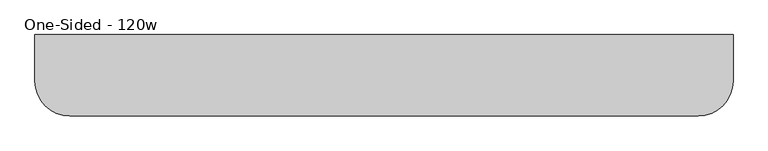
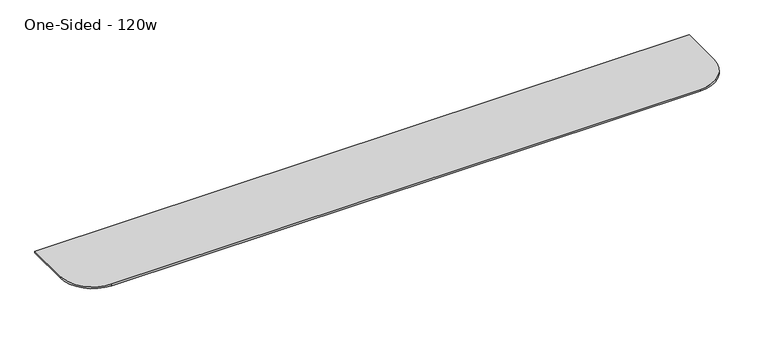
"""IFC4 building model written with IfcOpenShell, lengths in millimetres: furniture geometry, One-Sided - 120w."""

from ifc_helpers import new_model, si_unit, frame, origin, place, context, project, spatial, polyline, circle_curve, outline, extrude, source, transform, mapped, element, save
from ifc_brep_helpers import plane_surface, cylinder_surface, revolved_surface, advanced_brep


def one_sided_120w_0e36a602(model_context):
    return source(origin(), model_context, "Body", "SolidModel", [
        extrude(outline(polyline([(-205.7292425, 673.1), (-345.4292425, 704.85), (-345.4292425, 711.2), (-205.7292425, 711.2), (-205.7292425, 673.1)])), frame((902.664177, 0.0, 0.0), z_axis=(1.0, 0.0, 0.0), x_axis=(0.0, 1.0, 0.0)), (0.0, 0.0, 1.0), 82.55),
        extrude(outline(polyline([(-205.7292425, 673.1), (-345.4292425, 704.85), (-345.4292425, 711.2), (-205.7292425, 711.2), (-205.7292425, 673.1)])), frame((245.439177, 0.0, 0.0), z_axis=(1.0, 0.0, 0.0), x_axis=(0.0, 1.0, 0.0)), (0.0, 0.0, 1.0), 82.55),
        extrude(outline(polyline([(-205.7292425, 673.1), (-345.4292425, 704.85), (-345.4292425, 711.2), (-205.7292425, 711.2), (-205.7292425, 673.1)])), frame((-411.785823, 0.0, 0.0), z_axis=(1.0, 0.0, 0.0), x_axis=(0.0, 1.0, 0.0)), (0.0, 0.0, 1.0), 82.55),
        extrude(outline(polyline([(-205.7292425, 673.1), (-345.4292425, 704.85), (-345.4292425, 711.2), (-205.7292425, 711.2), (-205.7292425, 673.1)])), frame((1559.889177, 0.0, 0.0), z_axis=(1.0, 0.0, 0.0), x_axis=(0.0, 1.0, 0.0)), (0.0, 0.0, 1.0), 82.55),
        extrude(outline(polyline([(-205.7292425, 673.1), (-345.4292425, 704.85), (-345.4292425, 711.2), (-205.7292425, 711.2), (-205.7292425, 673.1)])), frame((-1069.010823, 0.0, 0.0), z_axis=(1.0, 0.0, 0.0), x_axis=(0.0, 1.0, 0.0)), (0.0, 0.0, 1.0), 82.55),
        advanced_brep(
        [(-1237.285823, -307.3292425, 742.95), (-1084.885823, -459.7292425, 742.95), (1658.314177, -459.7292425, 742.95), (1810.714177, -307.3292425, 742.95), (1810.714177, -104.1292425, 742.95), (-1237.285823, -104.1292425, 742.95), (-1186.485823, -104.1292425, 711.2), (1759.914177, -104.1292425, 711.2), (1759.914177, -307.3292425, 711.2), (1658.314177, -408.9292425, 711.2), (-1084.885823, -408.9292425, 711.2), (-1186.485823, -307.3292425, 711.2), (-1237.285823, -104.1292425, 734.45116), (-1237.285823, -307.3292425, 734.45116), (-1084.885823, -459.7292425, 734.45116), (1658.314177, -459.7292425, 734.45116), (1810.714177, -307.3292425, 734.45116), (1810.714177, -104.1292425, 734.45116)],
        [
            (0, 1, circle_curve(frame((-1084.885823, -307.3292425, 742.95), z_axis=(0.0, 0.0, 1.0), x_axis=(1.0, 0.0, 0.0)), 152.4)),
            (1, 2),
            (2, 3, circle_curve(frame((1658.314177, -307.3292425, 742.95), z_axis=(0.0, 0.0, 1.0), x_axis=(1.0, 0.0, 0.0)), 152.4)),
            (3, 4),
            (4, 5),
            (5, 0),
            (6, 7),
            (7, 8),
            (8, 9, circle_curve(frame((1658.314177, -307.3292425, 711.2), z_axis=(0.0, 0.0, -1.0), x_axis=(0.0, -1.0, 0.0)), 101.6)),
            (9, 10),
            (10, 11, circle_curve(frame((-1084.885823, -307.3292425, 711.2), z_axis=(0.0, 0.0, -1.0), x_axis=(-1.0, 0.0, 0.0)), 101.6)),
            (11, 6),
            (5, 12),
            (12, 13),
            (13, 0),
            (1, 14),
            (14, 15),
            (15, 2),
            (3, 16),
            (16, 17),
            (17, 4),
            (13, 14, circle_curve(frame((-1084.885823, -307.3292425, 734.45116), z_axis=(0.0, 0.0, 1.0), x_axis=(1.0, 0.0, 0.0)), 152.4)),
            (15, 16, circle_curve(frame((1658.314177, -307.3292425, 734.45116), z_axis=(0.0, 0.0, 1.0), x_axis=(1.0, 0.0, 0.0)), 152.4)),
            (17, 7),
            (6, 12),
            (8, 16),
            (15, 9),
            (11, 13),
            (10, 14),
        ],
        [
            plane_surface(frame((-1084.885823, 73.6707575, 742.95), z_axis=(0.0, 0.0, 1.0), x_axis=(-1.0, 0.0, 0.0))),
            plane_surface(frame((-1084.885823, 73.6707575, 711.2), z_axis=(0.0, 0.0, -1.0), x_axis=(1.0, 0.0, 0.0))),
            plane_surface(frame((-1237.285823, -78.7292425, 742.95), z_axis=(-1.0, 0.0, 0.0), x_axis=(0.0, 0.0, -1.0))),
            plane_surface(frame((-1084.885823, -459.7292425, 742.95), z_axis=(0.0, -1.0, 0.0), x_axis=(0.0, 0.0, -1.0))),
            plane_surface(frame((1810.714177, -307.3292425, 742.95), z_axis=(1.0, 0.0, 0.0), x_axis=(0.0, 0.0, -1.0))),
            cylinder_surface(frame((-1084.885823, -307.3292425, 711.2), z_axis=(0.0, 0.0, 1.0), x_axis=(1.0, 0.0, 0.0)), 152.4),
            cylinder_surface(frame((1658.314177, -307.3292425, 711.2), z_axis=(0.0, 0.0, 1.0), x_axis=(1.0, 0.0, 0.0)), 152.4),
            plane_surface(frame((-1237.285823, -104.1292425, 946.15), z_axis=(0.0, 1.0, 0.0), x_axis=(0.0, 0.0, -1.0))),
            revolved_surface(polyline([(1658.314177, -325.686944, 673.1), (1658.314177, -459.7292425, 734.45116)]), (1658.314177, -307.3292425, 742.95), (0.0, 0.0, 1.0)),
            plane_surface(frame((1810.714177, -307.3292425, 734.45116), z_axis=(0.4161787475539382, 0.0, -0.9092828218351183), x_axis=(0.0, 1.0, 0.0))),
            plane_surface(frame((-1237.285823, -78.7292425, 734.45116), z_axis=(-0.4161787475539382, 0.0, -0.9092828218351183), x_axis=(0.0, -1.0, 0.0))),
            revolved_surface(polyline([(-1103.2435246, -307.3292425, 673.1), (-1237.285823, -307.3292425, 734.45116)]), (-1084.885823, -307.3292425, 742.95), (0.0, 0.0, 1.0)),
            plane_surface(frame((-1084.885823, -459.7292425, 734.45116), z_axis=(0.0, -0.4161787475539382, -0.9092828218351183), x_axis=(1.0, 0.0, 0.0))),
        ],
        [
            (0, [[1, 2, 3, 4, 5, 6]]),
            (1, [[7, 8, 9, 10, 11, 12]]),
            (2, [[-6, 13, 14, 15]]),
            (3, [[-2, 16, 17, 18]]),
            (4, [[-4, 19, 20, 21]]),
            (5, [[-1, -15, 22, -16]]),
            (6, [[-3, -18, 23, -19]]),
            (7, [[-5, -21, 24, -7, 25, -13]]),
            (8, [[26, -23, 27, -9]]),
            (9, [[-26, -8, -24, -20]]),
            (10, [[28, -14, -25, -12]]),
            (11, [[-28, -11, 29, -22]]),
            (12, [[-29, -10, -27, -17]]),
        ],
    ),
    ])


if __name__ == "__main__":
    model = new_model("IFC4")
    model_context = context("Model", 3, world=origin())
    ifc_project = project(units=[si_unit("LENGTHUNIT", "METRE", prefix="MILLI")], contexts=[model_context])
    site = spatial("IfcSite", under=ifc_project)
    building = spatial("IfcBuilding", under=site)
    placement = place(None, origin())
    one_sided_120w_shape = one_sided_120w_0e36a602(model_context)
    element("IfcFurniture", 1, ObjectType="One-Sided - 120w", at=placement, inside=building, context=model_context, shape_type="MappedRepresentation", body=[
        mapped(one_sided_120w_shape, transform((0.0, 0.0, 0.0), x_axis=(1.0, 0.0, 0.0), y_axis=(0.0, 1.0, 0.0), z_axis=(0.0, 0.0, 1.0))),
    ])
    save(model, "model.ifc")
